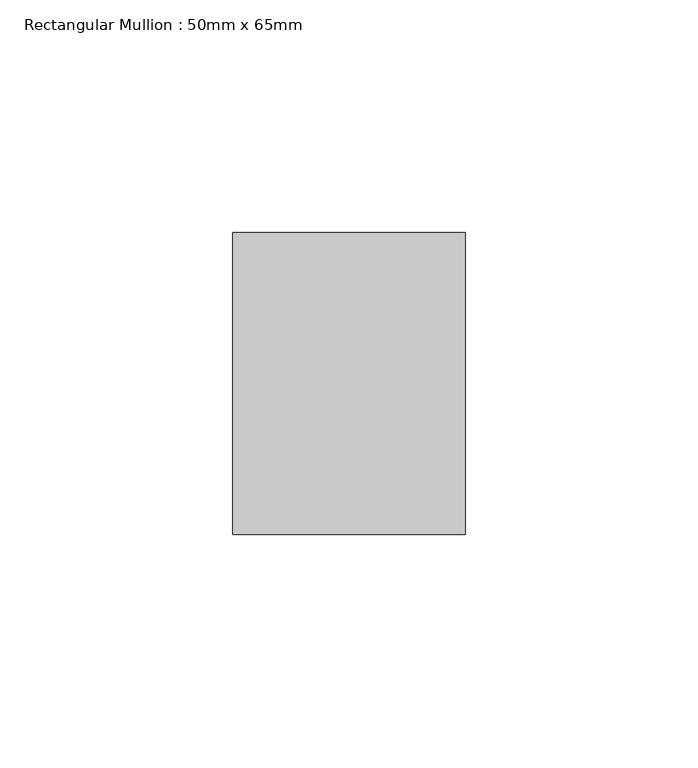
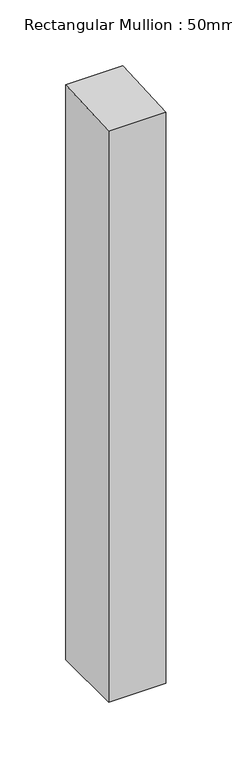
"""IFC4 building model written with IfcOpenShell, lengths in millimetres: member geometry, Rectangular Mullion : 50mm x 65mm."""

from ifc_helpers import new_model, si_unit, origin, place, context, project, spatial, faceted_brep, source, transform, mapped, element, save


def rectangular_mullion_50mm_x_65mm_8f7d883b(model_context):
    return source(origin(), model_context, "Body", "Brep", [
        faceted_brep([(25.0, 32.5, -531.0187499), (25.0, -32.5, -531.0187499), (-25.0, -32.5, -531.0187499), (-25.0, 32.5, -531.0187499), (-25.0, 32.5, 1.8429999), (25.0, 32.5, 1.7190159), (-25.0, -32.5, -1.7190159), (25.0, -32.5, -1.8429999)], [[[0, 1, 2, 3]], [[4, 5, 0, 3]], [[6, 4, 3, 2]], [[7, 6, 2, 1]], [[5, 7, 1, 0]], [[5, 4, 6, 7]]]),
    ])


if __name__ == "__main__":
    model = new_model("IFC4")
    model_context = context("Model", 3, world=origin())
    ifc_project = project(units=[si_unit("LENGTHUNIT", "METRE", prefix="MILLI")], contexts=[model_context])
    site = spatial("IfcSite", under=ifc_project)
    building = spatial("IfcBuilding", under=site)
    placement = place(None, origin())
    rectangular_mullion_50mm_x_65mm_shape = rectangular_mullion_50mm_x_65mm_8f7d883b(model_context)
    element("IfcMember", 1, ObjectType="Rectangular Mullion : 50mm x 65mm", at=placement, inside=building, context=model_context, shape_type="MappedRepresentation", body=[
        mapped(rectangular_mullion_50mm_x_65mm_shape, transform((0.0, 0.0, 0.0), x_axis=(1.0, 0.0, 0.0), y_axis=(0.0, 1.0, 0.0), z_axis=(0.0, 0.0, 1.0))),
    ])
    save(model, "model.ifc")
